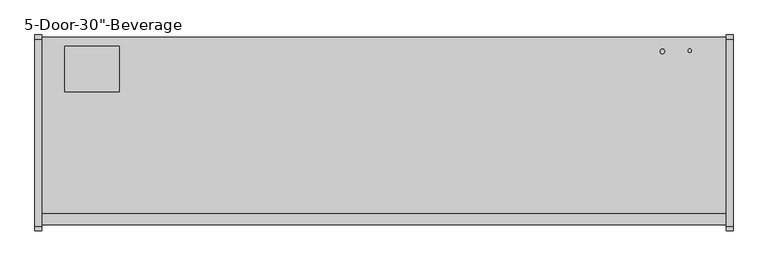
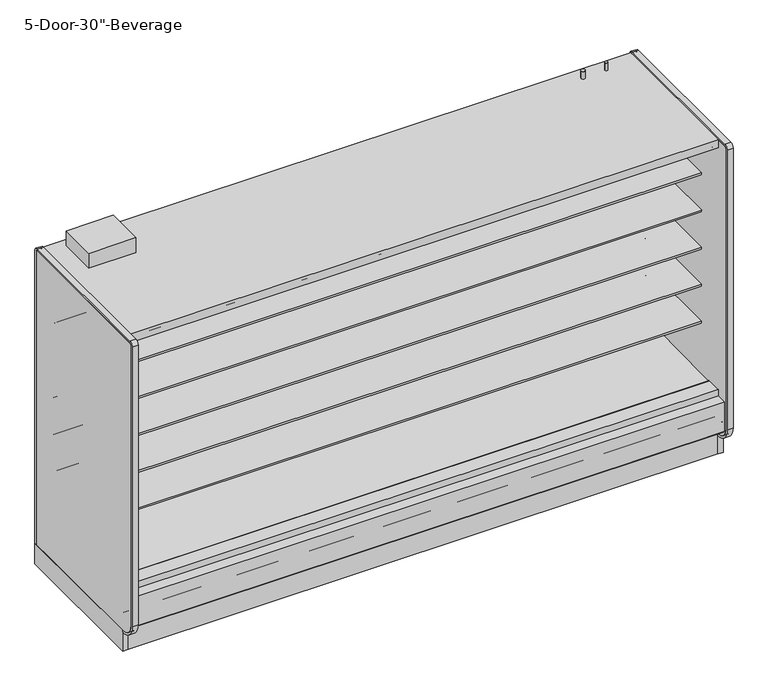
"""IFC4 building model written with IfcOpenShell, lengths in millimetres: proxy geometry."""

from ifc_helpers import new_model, si_unit, point, frame, frame_2d, origin, origin_with_axes, place, context, project, spatial, polyline, circle_curve, trimmed, segment, composite_curve, outline, extrude, source, transform, mapped, element, save
from ifc_brep_helpers import plane_surface, cylinder_surface, revolved_surface, advanced_brep


def proxy_8ac10178(model_context):
    return source(origin(), model_context, "Body", "SolidModel", [
        extrude(outline(polyline([(-1318.106026, 207.2507391), (-1305.4059832, 196.5941379), (-1305.4059832, 0.4239338), (-1318.106026, 0.4239338), (-1318.106026, 207.2507391)])), frame((0.0, 0.0, 0.0), z_axis=(1.0, 0.0, 0.0), x_axis=(0.0, 1.0, 0.0)), (0.0, 0.0, 1.0), 3810.0),
        extrude(outline(polyline([(0.0, -76.2), (0.0, 0.0), (304.8, 0.0), (304.8, -76.2), (0.0, -76.2)])), frame((304.8, -1257.8018226, 2069.9402149), z_axis=(0.0, 0.07985742909739812, 0.9968062956351922), x_axis=(-1.0, 0.0, 0.0)), (0.0, 0.0, 1.0), 12.7),
        extrude(outline(composite_curve([segment(polyline([(-1139.652044, 788.1304004), (-1139.652044, 801.6241504), (-453.852044, 801.6241504), (-453.852044, 700.8188557), (-465.2157046, 700.5975577)]), True, "CONTINUOUS"), segment(trimmed(circle_curve(frame_2d((-465.7036503, 725.6535856)), 25.0607786), [point((-465.2157046, 700.5975577))], [point((-481.6109729, 706.2886764))], False, "CARTESIAN"), True, "CONTINUOUS"), segment(polyline([(-481.6109729, 706.2886764), (-519.8326735, 737.3719449)]), True, "CONTINUOUS"), segment(trimmed(circle_curve(frame_2d((-559.8971466, 688.1064601)), 63.5), [point((-519.8326735, 737.3719449))], [point((-553.0441372, 751.2355839))], True, "CARTESIAN"), True, "CONTINUOUS"), segment(polyline([(-553.0441372, 751.2355839), (-968.6518104, 783.846074), (-968.6518104, 788.1304004), (-1139.652044, 788.1304004)]), True, "CONTINUOUS")], self_intersect=False)), frame((0.0, 0.0, 0.0), z_axis=(1.0, 0.0, 0.0), x_axis=(0.0, 1.0, 0.0)), (0.0, 0.0, 1.0), 3810.0),
        extrude(outline(composite_curve([segment(polyline([(-1139.652044, 1042.1304004), (-1139.652044, 1055.6241504), (-453.852044, 1055.6241504), (-453.852044, 954.8188557), (-465.2157046, 954.5975577)]), True, "CONTINUOUS"), segment(trimmed(circle_curve(frame_2d((-465.7036503, 979.6535856)), 25.0607786), [point((-465.2157046, 954.5975577))], [point((-481.6109729, 960.2886764))], False, "CARTESIAN"), True, "CONTINUOUS"), segment(polyline([(-481.6109729, 960.2886764), (-519.8326735, 991.3719449)]), True, "CONTINUOUS"), segment(trimmed(circle_curve(frame_2d((-559.8971466, 942.1064601)), 63.5), [point((-519.8326735, 991.3719449))], [point((-553.0441372, 1005.2355839))], True, "CARTESIAN"), True, "CONTINUOUS"), segment(polyline([(-553.0441372, 1005.2355839), (-968.6518104, 1037.846074), (-968.6518104, 1042.1304004), (-1139.652044, 1042.1304004)]), True, "CONTINUOUS")], self_intersect=False)), frame((0.0, 0.0, 0.0), z_axis=(1.0, 0.0, 0.0), x_axis=(0.0, 1.0, 0.0)), (0.0, 0.0, 1.0), 3810.0),
        extrude(outline(composite_curve([segment(polyline([(-1139.652044, 1296.1304004), (-1139.652044, 1309.6241504), (-453.852044, 1309.6241504), (-453.852044, 1208.8188557), (-465.2157046, 1208.5975577)]), True, "CONTINUOUS"), segment(trimmed(circle_curve(frame_2d((-465.7036503, 1233.6535856)), 25.0607786), [point((-465.2157046, 1208.5975577))], [point((-481.6109729, 1214.2886764))], False, "CARTESIAN"), True, "CONTINUOUS"), segment(polyline([(-481.6109729, 1214.2886764), (-519.8326735, 1245.3719449)]), True, "CONTINUOUS"), segment(trimmed(circle_curve(frame_2d((-559.8971466, 1196.1064601)), 63.5), [point((-519.8326735, 1245.3719449))], [point((-553.0441372, 1259.2355839))], True, "CARTESIAN"), True, "CONTINUOUS"), segment(polyline([(-553.0441372, 1259.2355839), (-968.6518104, 1291.846074), (-968.6518104, 1296.1304004), (-1139.652044, 1296.1304004)]), True, "CONTINUOUS")], self_intersect=False)), frame((0.0, 0.0, 0.0), z_axis=(1.0, 0.0, 0.0), x_axis=(0.0, 1.0, 0.0)), (0.0, 0.0, 1.0), 3810.0),
        extrude(outline(composite_curve([segment(polyline([(-1139.652044, 1550.1304004), (-1139.652044, 1563.6241504), (-453.852044, 1563.6241504), (-453.852044, 1462.8188557), (-465.2157046, 1462.5975577)]), True, "CONTINUOUS"), segment(trimmed(circle_curve(frame_2d((-465.7036503, 1487.6535856)), 25.0607786), [point((-465.2157046, 1462.5975577))], [point((-481.6109729, 1468.2886764))], False, "CARTESIAN"), True, "CONTINUOUS"), segment(polyline([(-481.6109729, 1468.2886764), (-519.8326735, 1499.3719449)]), True, "CONTINUOUS"), segment(trimmed(circle_curve(frame_2d((-559.8971466, 1450.1064601)), 63.5), [point((-519.8326735, 1499.3719449))], [point((-553.0441372, 1513.2355839))], True, "CARTESIAN"), True, "CONTINUOUS"), segment(polyline([(-553.0441372, 1513.2355839), (-968.6518104, 1545.846074), (-968.6518104, 1550.1304004), (-1139.652044, 1550.1304004)]), True, "CONTINUOUS")], self_intersect=False)), frame((0.0, 0.0, 0.0), z_axis=(1.0, 0.0, 0.0), x_axis=(0.0, 1.0, 0.0)), (0.0, 0.0, 1.0), 3810.0),
        extrude(outline(composite_curve([segment(polyline([(-1179.8089716, 2076.7249354), (-1179.8089716, 2078.925392), (-1258.0451873, 2084.3962012), (-1258.0451873, 2075.9223079)]), True, "CONTINUOUS"), segment(trimmed(circle_curve(frame_2d((-1260.5851873, 2075.9223079)), 2.54), [point((-1258.0451873, 2075.9223079))], [point((-1260.5851873, 2073.3823079))], False, "CARTESIAN"), True, "CONTINUOUS"), segment(polyline([(-1260.5851873, 2073.3823079), (-1269.8053873, 2073.3823079)]), True, "CONTINUOUS"), segment(trimmed(circle_curve(frame_2d((-1269.8053873, 2075.9223079)), 2.54), [point((-1269.8053873, 2073.3823079))], [point((-1272.3453873, 2075.9223079))], False, "CARTESIAN"), True, "CONTINUOUS"), segment(polyline([(-1272.3453873, 2075.9223079), (-1272.3453873, 2092.9469554)]), True, "CONTINUOUS"), segment(trimmed(circle_curve(frame_2d((-1274.8853873, 2092.9469554)), 2.54), [point((-1272.3453873, 2092.9469554))], [point((-1274.8853873, 2095.4869554))], True, "CARTESIAN"), True, "CONTINUOUS"), segment(polyline([(-1274.8853873, 2095.4869554), (-1288.8553873, 2095.4869554)]), True, "CONTINUOUS"), segment(trimmed(circle_curve(frame_2d((-1288.8553873, 2098.0269554)), 2.54), [point((-1288.8553873, 2095.4869554))], [point((-1291.3953873, 2098.0269554))], False, "CARTESIAN"), True, "CONTINUOUS"), segment(polyline([(-1291.3953873, 2098.0269554), (-1291.3953873, 2102.7701079), (-402.3474764, 2102.7701079), (-402.3474764, 418.2554484), (-453.852044, 418.2554484), (-453.852044, 2076.7249354), (-1179.8089716, 2076.7249354)]), True, "CONTINUOUS")], self_intersect=False)), frame((0.0, 0.0, 0.0), z_axis=(1.0, 0.0, 0.0), x_axis=(0.0, 1.0, 0.0)), (0.0, 0.0, 1.0), 3810.0),
        advanced_brep(
        [(3810.0, -1318.106026, 204.9450868), (3810.0, -1318.106026, 0.0), (3810.0, -1156.1809832, 0.0), (3810.0, -1156.1809832, 130.5306), (3810.0, -1226.6745247, 130.5306), (3810.0, -1377.1737273, 256.8144254), (3810.0, -1377.1737273, 391.9982), (3810.0, -1326.8776974, 391.9982), (3810.0, -1326.8776974, 404.6728), (3810.0, -1393.9631273, 404.6728), (3810.0, -1393.9631273, 201.3982889), (3810.0, -1384.4389382, 195.8985595), (3810.0, -1339.6997646, 221.7199387), (0.0, -1318.106026, 204.9450868), (0.0, -1339.6997646, 221.7199387), (0.0, -1384.4389382, 195.8985595), (0.0, -1393.9631273, 201.3982889), (0.0, -1393.9631273, 404.6728), (0.0, -1326.8776974, 404.6728), (0.0, -1326.8776974, 391.9982), (0.0, -1377.1737273, 391.9982), (0.0, -1377.1737273, 256.8144254), (0.0, -1226.6745247, 130.5306), (0.0, -1156.1809832, 130.5306), (0.0, -1156.1809832, 0.0), (0.0, -1318.106026, 0.0), (677.9753763, -1301.1164467, 0.0), (677.9753763, -1203.5310315, 0.0), (363.1798722, -1203.5310315, 0.0), (363.1798722, -1301.1164467, 0.0), (677.9753763, -1301.1164467, 50.8), (677.9753763, -1203.5310315, 50.8), (363.1798722, -1203.5310315, 50.8), (363.1798722, -1301.1164467, 50.8)],
        [
            (0, 1),
            (1, 2),
            (2, 3),
            (3, 4),
            (4, 5),
            (5, 6),
            (6, 7),
            (7, 8),
            (8, 9),
            (9, 10),
            (10, 11, circle_curve(frame((3810.0, -1387.6131273, 201.3982889), z_axis=(1.0, 0.0, 0.0), x_axis=(0.0, 1.0, 0.0)), 6.35)),
            (11, 12),
            (12, 0),
            (13, 14),
            (14, 15),
            (15, 16, circle_curve(frame((0.0, -1387.6131273, 201.3982889), z_axis=(-1.0, 0.0, 0.0), x_axis=(0.0, 1.0, 0.0)), 6.35)),
            (16, 17),
            (17, 18),
            (18, 19),
            (19, 20),
            (20, 21),
            (21, 22),
            (22, 23),
            (23, 24),
            (24, 25),
            (25, 13),
            (0, 13),
            (25, 1),
            (24, 2),
            (26, 27),
            (27, 28),
            (28, 29),
            (29, 26),
            (23, 3),
            (22, 4),
            (21, 5),
            (20, 6),
            (19, 7),
            (18, 8),
            (17, 9),
            (16, 10),
            (15, 11),
            (14, 12),
            (26, 30),
            (30, 31),
            (31, 27),
            (28, 32),
            (32, 33),
            (33, 29),
            (31, 32),
            (30, 33),
        ],
        [
            plane_surface(frame((3810.0, -1318.106026, 0.0), z_axis=(1.0, 0.0, 0.0), x_axis=(0.0, 0.0, -1.0))),
            plane_surface(frame((0.0, -1318.106026, 0.0), z_axis=(-1.0, 0.0, 0.0), x_axis=(0.0, 0.0, 1.0))),
            plane_surface(frame((3810.0, -1318.106026, 204.9450868), z_axis=(0.0, -1.0, 0.0), x_axis=(-1.0, 0.0, 0.0))),
            plane_surface(frame((3810.0, -1318.106026, 0.0), z_axis=(0.0, 0.0, -1.0), x_axis=(-1.0, 0.0, 0.0))),
            plane_surface(frame((3810.0, -1156.1809832, 0.0), z_axis=(0.0, 1.0, 0.0), x_axis=(-1.0, 0.0, 0.0))),
            plane_surface(frame((3810.0, -1156.1809832, 130.5306), z_axis=(0.0, 0.0, 1.0), x_axis=(-1.0, 0.0, 0.0))),
            plane_surface(frame((3810.0, -1226.6745247, 130.5306), z_axis=(0.0, 0.6427876096877188, 0.7660444431179884), x_axis=(-1.0, 0.0, 0.0))),
            plane_surface(frame((3810.0, -1377.1737273, 256.8144254), z_axis=(0.0, 1.0, 0.0), x_axis=(-1.0, 0.0, 0.0))),
            plane_surface(frame((3810.0, -1377.1737273, 391.9982), z_axis=(0.0, 0.0, -1.0), x_axis=(-1.0, 0.0, 0.0))),
            plane_surface(frame((3810.0, -1326.8776974, 391.9982), z_axis=(0.0, 1.0, 0.0), x_axis=(-1.0, 0.0, 0.0))),
            plane_surface(frame((3810.0, -1326.8776974, 404.6728), z_axis=(0.0, 0.0, 1.0), x_axis=(-1.0, 0.0, 0.0))),
            plane_surface(frame((3810.0, -1393.9631273, 404.6728), z_axis=(0.0, -1.0, 0.0), x_axis=(-1.0, 0.0, 0.0))),
            cylinder_surface(frame((0.0, -1387.6131273, 201.3982889), z_axis=(1.0, 0.0, 0.0), x_axis=(0.0, 1.0, 0.0)), 6.35),
            plane_surface(frame((3810.0, -1384.4389382, 195.8985595), z_axis=(0.0, 0.4998723022013517, -0.8660991175910068), x_axis=(-1.0, 0.0, 0.0))),
            plane_surface(frame((3810.0, -1339.6997646, 221.7199387), z_axis=(0.0, -0.6134784338805639, -0.7897114733644501), x_axis=(-1.0, 0.0, 0.0))),
            plane_surface(frame((677.9753763, -1207.3278954, 0.0), z_axis=(-1.0, 0.0, 0.0), x_axis=(0.0, 1.0, 0.0))),
            plane_surface(frame((363.1798722, -1207.3278954, 0.0), z_axis=(1.0, 0.0, 0.0), x_axis=(0.0, -1.0, 0.0))),
            plane_surface(frame((677.9753763, -1203.5310315, 0.0), z_axis=(0.0, -1.0, 0.0), x_axis=(-1.0, 0.0, 0.0))),
            plane_surface(frame((677.9753763, -1203.5310315, 50.8), z_axis=(0.0, 0.0, -1.0), x_axis=(-1.0, 0.0, 0.0))),
            plane_surface(frame((677.9753763, -1301.1164467, 50.8), z_axis=(0.0, 1.0, 0.0), x_axis=(-1.0, 0.0, 0.0))),
        ],
        [
            (0, [[1, 2, 3, 4, 5, 6, 7, 8, 9, 10, 11, 12, 13]]),
            (1, [[14, 15, 16, 17, 18, 19, 20, 21, 22, 23, 24, 25, 26]]),
            (2, [[-1, 27, -26, 28]]),
            (3, [[-2, -28, -25, 29], [30, 31, 32, 33]]),
            (4, [[-3, -29, -24, 34]]),
            (5, [[-4, -34, -23, 35]]),
            (6, [[-5, -35, -22, 36]]),
            (7, [[-6, -36, -21, 37]]),
            (8, [[-7, -37, -20, 38]]),
            (9, [[-8, -38, -19, 39]]),
            (10, [[-9, -39, -18, 40]]),
            (11, [[-10, -40, -17, 41]]),
            (12, [[-11, -41, -16, 42]]),
            (13, [[-12, -42, -15, 43]]),
            (14, [[-13, -43, -14, -27]]),
            (15, [[44, 45, 46, -30]]),
            (16, [[47, 48, 49, -32]]),
            (17, [[-46, 50, -47, -31]]),
            (18, [[-45, 51, -48, -50]]),
            (19, [[-44, -33, -49, -51]]),
        ],
    ),
        extrude(outline(composite_curve([segment(trimmed(circle_curve(frame_2d((354.0125, 3733.8)), 12.7), [point((341.3125, 3733.8))], [point((366.7125, 3733.8))], False, "CARTESIAN"), True, "CONTINUOUS"), segment(trimmed(circle_curve(frame_2d((354.0125, 3733.8)), 12.7), [point((366.7125, 3733.8))], [point((341.3125, 3733.8))], False, "CARTESIAN"), True, "CONTINUOUS")], self_intersect=False)), frame((0.0, -399.8071273, 0.0), z_axis=(0.0, 1.0, 0.0), x_axis=(0.0, 0.0, 1.0)), (0.0, 0.0, 1.0), 50.8),
        extrude(outline(composite_curve([segment(trimmed(circle_curve(frame_2d((354.0125, 3683.0)), 9.525), [point((344.4875, 3683.0))], [point((363.5375, 3683.0))], False, "CARTESIAN"), True, "CONTINUOUS"), segment(trimmed(circle_curve(frame_2d((354.0125, 3683.0)), 9.525), [point((363.5375, 3683.0))], [point((344.4875, 3683.0))], False, "CARTESIAN"), True, "CONTINUOUS")], self_intersect=False)), frame((0.0, -399.8071273, 0.0), z_axis=(0.0, 1.0, 0.0), x_axis=(0.0, 0.0, 1.0)), (0.0, 0.0, 1.0), 50.8),
        advanced_brep(
        [(3810.0, -349.0071273, 130.5306), (3810.0, -349.0071273, 2159.0692079), (3810.0, -1328.759197, 2159.0692079), (3810.0, -1328.759197, 2102.7701079), (3810.0, -402.3474764, 2102.7701079), (3810.0, -402.3474764, 358.6596808), (3810.0, -549.3331942, 211.7249958), (3810.0, -991.2928374, 196.2548056), (3810.0, -1033.515372, 165.5831237), (3810.0, -1035.4689267, 165.5149041), (3810.0, -1048.6488905, 157.9054484), (3810.0, -1108.9738905, 157.9054484), (3810.0, -1117.2097949, 162.6604501), (3810.0, -1119.3438463, 162.5859274), (3810.0, -1169.010644, 190.034038), (3810.0, -1325.2901974, 342.4428), (3810.0, -1325.2901974, 391.9982), (3810.0, -1377.1737273, 391.9982), (3810.0, -1377.1737273, 256.8144254), (3810.0, -1226.6745247, 130.5306), (0.0, -349.0071273, 130.5306), (0.0, -1226.6745247, 130.5306), (0.0, -1377.1737273, 256.8144254), (0.0, -1377.1737273, 391.9982), (0.0, -1325.2901974, 391.9982), (0.0, -1325.2901974, 342.4428), (0.0, -1169.010644, 190.034038), (0.0, -1119.3438463, 162.5859274), (0.0, -1117.2097949, 162.6604501), (0.0, -1108.9738905, 157.9054484), (0.0, -1048.6488905, 157.9054484), (0.0, -1035.4689267, 165.5149041), (0.0, -1033.515372, 165.5831237), (0.0, -991.2928374, 196.2548056), (0.0, -549.3331942, 211.7249958), (0.0, -402.3474764, 358.6596808), (0.0, -402.3474764, 2102.7701079), (0.0, -1328.759197, 2102.7701079), (0.0, -1328.759197, 2159.0692079), (0.0, -349.0071273, 2159.0692079), (3708.4, -349.0071273, 303.2125), (3708.4, -349.0071273, 404.8125), (3708.4, -399.8071273, 404.8125), (3708.4, -399.8071273, 303.2125)],
        [
            (0, 1),
            (1, 2),
            (2, 3),
            (3, 4),
            (4, 5),
            (5, 6, circle_curve(frame((3810.0, -554.6779329, 364.0573175), z_axis=(-1.0, 0.0, 0.0), x_axis=(0.0, 1.0, 0.0)), 152.4260557)),
            (6, 7),
            (7, 8),
            (8, 9),
            (9, 10),
            (10, 11),
            (11, 12),
            (12, 13),
            (13, 14),
            (14, 15, circle_curve(frame((3810.0, -1174.2931139, 340.9461144), z_axis=(-1.0, 0.0, 0.0), x_axis=(0.0, 1.0, 0.0)), 151.0045009)),
            (15, 16),
            (16, 17),
            (17, 18),
            (18, 19),
            (19, 0),
            (20, 21),
            (21, 22),
            (22, 23),
            (23, 24),
            (24, 25),
            (25, 26, circle_curve(frame((0.0, -1174.2931139, 340.9461144), z_axis=(1.0, 0.0, 0.0), x_axis=(0.0, 1.0, 0.0)), 151.0045009)),
            (26, 27),
            (27, 28),
            (28, 29),
            (29, 30),
            (30, 31),
            (31, 32),
            (32, 33),
            (33, 34),
            (34, 35, circle_curve(frame((0.0, -554.6779329, 364.0573175), z_axis=(1.0, 0.0, 0.0), x_axis=(0.0, 1.0, 0.0)), 152.4260557)),
            (35, 36),
            (36, 37),
            (37, 38),
            (38, 39),
            (39, 20),
            (0, 20),
            (39, 1),
            (40, 41, circle_curve(frame((3708.4, -349.0071273, 354.0125), z_axis=(0.0, -1.0, 0.0), x_axis=(0.0, 0.0, -1.0)), 50.8)),
            (41, 40, circle_curve(frame((3708.4, -349.0071273, 354.0125), z_axis=(0.0, -1.0, 0.0), x_axis=(0.0, 0.0, -1.0)), 50.8)),
            (38, 2),
            (37, 3),
            (36, 4),
            (6, 34),
            (33, 7),
            (32, 8),
            (31, 9),
            (30, 10),
            (29, 11),
            (28, 12),
            (27, 13),
            (26, 14),
            (25, 15),
            (24, 16),
            (23, 17),
            (22, 18),
            (21, 19),
            (35, 5),
            (42, 43, circle_curve(frame((3708.4, -399.8071273, 354.0125), z_axis=(0.0, 1.0, 0.0), x_axis=(0.0, 0.0, -1.0)), 50.8)),
            (43, 42, circle_curve(frame((3708.4, -399.8071273, 354.0125), z_axis=(0.0, 1.0, 0.0), x_axis=(0.0, 0.0, -1.0)), 50.8)),
            (42, 41),
            (40, 43),
        ],
        [
            plane_surface(frame((3810.0, -349.0071273, 2154.3067079), z_axis=(1.0, 0.0, 0.0), x_axis=(0.0, 0.0, 1.0))),
            plane_surface(frame((0.0, -349.0071273, 2154.3067079), z_axis=(-1.0, 0.0, 0.0), x_axis=(0.0, 0.0, -1.0))),
            plane_surface(frame((3810.0, -349.0071273, 130.5306), z_axis=(0.0, 1.0, 0.0), x_axis=(-1.0, 0.0, 0.0))),
            plane_surface(frame((3810.0, -349.0071273, 2159.0692079), z_axis=(0.0, 0.0, 1.0), x_axis=(-1.0, 0.0, 0.0))),
            plane_surface(frame((3810.0, -1328.759197, 2159.0692079), z_axis=(0.0, -1.0, 0.0), x_axis=(-1.0, 0.0, 0.0))),
            plane_surface(frame((3810.0, -1328.759197, 2102.7701079), z_axis=(0.0, 0.0, -1.0), x_axis=(-1.0, 0.0, 0.0))),
            plane_surface(frame((3810.0, -549.3331942, 211.7249958), z_axis=(0.0, -0.03498220179415916, 0.9993879354673203), x_axis=(-1.0, 0.0, 0.0))),
            plane_surface(frame((3810.0, -991.2928374, 196.2548056), z_axis=(0.0, -0.5877252382161511, 0.8090605937528836), x_axis=(-1.0, 0.0, 0.0))),
            plane_surface(frame((3810.0, -1033.515372, 165.5831237), z_axis=(0.0, -0.034899496717989933, 0.9993908270185549), x_axis=(-1.0, 0.0, 0.0))),
            plane_surface(frame((3810.0, -1035.4689267, 165.5149041), z_axis=(0.0, -0.5000000000128472, 0.8660254037770214), x_axis=(-1.0, 0.0, 0.0))),
            plane_surface(frame((3810.0, -1048.6488905, 157.9054484), z_axis=(0.0, 0.0, 1.0), x_axis=(-1.0, 0.0, 0.0))),
            plane_surface(frame((3810.0, -1108.9738905, 157.9054484), z_axis=(0.0, 0.49999999998692984, 0.8660254037919848), x_axis=(-1.0, 0.0, 0.0))),
            plane_surface(frame((3810.0, -1117.2097949, 162.6604501), z_axis=(0.0, -0.03489949671806632, 0.9993908270185522), x_axis=(-1.0, 0.0, 0.0))),
            plane_surface(frame((3810.0, -1119.3438463, 162.5859274), z_axis=(0.0, 0.483695152932422, 0.8752365389023021), x_axis=(-1.0, 0.0, 0.0))),
            revolved_surface(polyline([(0.0, -1023.2886129999999, 340.9461144), (3810.0, -1023.2886129999999, 340.9461144)]), (0.0, -1174.2931139, 340.9461144), (-1.0, 0.0, 0.0)),
            plane_surface(frame((3810.0, -1325.2901974, 342.4428), z_axis=(0.0, 1.0, 0.0), x_axis=(-1.0, 0.0, 0.0))),
            plane_surface(frame((3810.0, -1325.2901974, 391.9982), z_axis=(0.0, 0.0, 1.0), x_axis=(-1.0, 0.0, 0.0))),
            plane_surface(frame((3810.0, -1377.1737273, 391.9982), z_axis=(0.0, -1.0, 0.0), x_axis=(-1.0, 0.0, 0.0))),
            plane_surface(frame((3810.0, -1377.1737273, 256.8144254), z_axis=(0.0, -0.6427876096877191, -0.7660444431179881), x_axis=(-1.0, 0.0, 0.0))),
            plane_surface(frame((3810.0, -1226.6745247, 130.5306), z_axis=(0.0, 0.0, -1.0), x_axis=(-1.0, 0.0, 0.0))),
            plane_surface(frame((3810.0, -402.3474764, 2102.7701079), z_axis=(0.0, -1.0, 0.0), x_axis=(-1.0, 0.0, 0.0))),
            revolved_surface(polyline([(0.0, -402.25187719999997, 364.0573175), (3810.0, -402.25187719999997, 364.0573175)]), (0.0, -554.6779329, 364.0573175), (-1.0, 0.0, 0.0)),
            plane_surface(frame((3708.4, -399.8071273, 303.2125), z_axis=(0.0, 1.0, 0.0), x_axis=(1.0, 0.0, 0.0))),
            revolved_surface(polyline([(3708.4, -349.0071273, 303.2125), (3708.4, -399.8071273, 303.2125)]), (3708.4, -399.8071273, 354.0125), (0.0, 1.0, 0.0)),
        ],
        [
            (0, [[1, 2, 3, 4, 5, 6, 7, 8, 9, 10, 11, 12, 13, 14, 15, 16, 17, 18, 19, 20]]),
            (1, [[21, 22, 23, 24, 25, 26, 27, 28, 29, 30, 31, 32, 33, 34, 35, 36, 37, 38, 39, 40]]),
            (2, [[-1, 41, -40, 42], [43, 44]]),
            (3, [[-2, -42, -39, 45]]),
            (4, [[-3, -45, -38, 46]]),
            (5, [[-4, -46, -37, 47]]),
            (6, [[-7, 48, -34, 49]]),
            (7, [[-8, -49, -33, 50]]),
            (8, [[-9, -50, -32, 51]]),
            (9, [[-10, -51, -31, 52]]),
            (10, [[-11, -52, -30, 53]]),
            (11, [[-12, -53, -29, 54]]),
            (12, [[-13, -54, -28, 55]]),
            (13, [[-14, -55, -27, 56]]),
            (14, [[-15, -56, -26, 57]]),
            (15, [[-16, -57, -25, 58]]),
            (16, [[-17, -58, -24, 59]]),
            (17, [[-18, -59, -23, 60]]),
            (18, [[-19, -60, -22, 61]]),
            (19, [[-20, -61, -21, -41]]),
            (20, [[-5, -47, -36, 62]]),
            (21, [[-6, -62, -35, -48]]),
            (22, [[63, 64]]),
            (23, [[-63, 65, -43, 66]]),
            (23, [[-64, -66, -44, -65]]),
        ],
    ),
        advanced_brep(
        [(3810.0, -349.0071273, 0.0), (3810.0, -349.0071273, 130.5306), (3810.0, -1156.1809832, 130.5306), (3810.0, -1156.1809832, 0.0), (3810.0, -1108.6576273, 0.0), (3810.0, -1108.6576273, 74.8810382), (3810.0, -394.2191273, 74.8810382), (3810.0, -394.2191273, 0.0), (0.0, -349.0071273, 0.0), (0.0, -394.2191273, 0.0), (0.0, -394.2191273, 74.8810382), (0.0, -1108.6576273, 74.8810382), (0.0, -1108.6576273, 0.0), (0.0, -1156.1809832, 0.0), (0.0, -1156.1809832, 130.5306), (0.0, -349.0071273, 130.5306), (1868.9092567, -1108.6576273, 74.8810382), (1868.9092567, -1108.6576273, 127.0), (1941.0907433, -1108.6576273, 127.0), (1941.0907433, -1108.6576273, 74.8810382), (2039.0570331, -1108.6576273, 74.8810382), (2039.0570331, -1108.6576273, 127.0), (2117.0179669, -1108.6576273, 127.0), (2117.0179669, -1108.6576273, 74.8810382)],
        [
            (0, 1),
            (1, 2),
            (2, 3),
            (3, 4),
            (4, 5),
            (5, 6),
            (6, 7),
            (7, 0),
            (8, 9),
            (9, 10),
            (10, 11),
            (11, 12),
            (12, 13),
            (13, 14),
            (14, 15),
            (15, 8),
            (0, 8),
            (15, 1),
            (4, 12),
            (11, 16),
            (16, 17),
            (17, 18),
            (18, 19),
            (19, 20),
            (20, 21),
            (21, 22),
            (22, 23),
            (23, 5),
            (23, 20, circle_curve(frame((2078.0375, -1076.0821273, 74.8810382), z_axis=(0.0, 0.0, 1.0), x_axis=(1.0, 0.0, 0.0)), 50.8)),
            (19, 16, circle_curve(frame((1905.0, -1072.9071273, 74.8810382), z_axis=(0.0, 0.0, 1.0), x_axis=(1.0, 0.0, 0.0)), 50.8)),
            (10, 6),
            (9, 7),
            (17, 18, circle_curve(frame((1905.0, -1072.9071273, 127.0), z_axis=(0.0, 0.0, -1.0), x_axis=(1.0, 0.0, 0.0)), 50.8)),
            (21, 22, circle_curve(frame((2078.0375, -1076.0821273, 127.0), z_axis=(0.0, 0.0, -1.0), x_axis=(1.0, 0.0, 0.0)), 50.8)),
            (14, 2),
            (13, 3),
        ],
        [
            plane_surface(frame((3810.0, -349.0071273, 2438.4), z_axis=(1.0, 0.0, 0.0), x_axis=(0.0, 0.0, 1.0))),
            plane_surface(frame((0.0, -349.0071273, 2438.4), z_axis=(-1.0, 0.0, 0.0), x_axis=(0.0, 0.0, -1.0))),
            plane_surface(frame((3810.0, -349.0071273, 0.0), z_axis=(0.0, 1.0, 0.0), x_axis=(-1.0, 0.0, 0.0))),
            plane_surface(frame((3810.0, -1108.6576273, 0.0), z_axis=(0.0, 1.0, 0.0), x_axis=(-1.0, 0.0, 0.0))),
            plane_surface(frame((3810.0, -1108.6576273, 74.8810382), z_axis=(0.0, 0.0, -1.0), x_axis=(-1.0, 0.0, 0.0))),
            plane_surface(frame((3810.0, -394.2191273, 74.8810382), z_axis=(0.0, -1.0, 0.0), x_axis=(-1.0, 0.0, 0.0))),
            plane_surface(frame((3810.0, -394.2191273, 0.0), z_axis=(0.0, 0.0, -1.0), x_axis=(-1.0, 0.0, 0.0))),
            plane_surface(frame((1941.0907433, -1108.6576273, 127.0), z_axis=(0.0, 0.0, -1.0), x_axis=(1.0, 0.0, 0.0))),
            revolved_surface(polyline([(1955.8, -1072.9071273, 127.0), (1955.8, -1072.9071273, 74.8810382)]), (1905.0, -1072.9071273, 0.0), (0.0, 0.0, 1.0)),
            plane_surface(frame((2117.0179669, -1108.6576273, 127.0), z_axis=(0.0, 0.0, -1.0), x_axis=(1.0, 0.0, 0.0))),
            revolved_surface(polyline([(2128.8375, -1076.0821273, 127.0), (2128.8375, -1076.0821273, 74.8810382)]), (2078.0375, -1076.0821273, 0.0), (0.0, 0.0, 1.0)),
            plane_surface(frame((3810.0, -349.0071273, 130.5306), z_axis=(0.0, 0.0, 1.0), x_axis=(-1.0, 0.0, 0.0))),
            plane_surface(frame((3810.0, -1156.1809832, 130.5306), z_axis=(0.0, -1.0, 0.0), x_axis=(-1.0, 0.0, 0.0))),
            plane_surface(frame((3810.0, -1156.1809832, 0.0), z_axis=(0.0, 0.0, -1.0), x_axis=(-1.0, 0.0, 0.0))),
        ],
        [
            (0, [[1, 2, 3, 4, 5, 6, 7, 8]]),
            (1, [[9, 10, 11, 12, 13, 14, 15, 16]]),
            (2, [[-1, 17, -16, 18]]),
            (3, [[-5, 19, -12, 20, 21, 22, 23, 24, 25, 26, 27, 28]]),
            (4, [[-6, -28, 29, -24, 30, -20, -11, 31]]),
            (5, [[-7, -31, -10, 32]]),
            (6, [[-8, -32, -9, -17]]),
            (7, [[33, -22]]),
            (8, [[-33, -21, -30, -23]]),
            (9, [[34, -26]]),
            (10, [[-34, -25, -29, -27]]),
            (11, [[-2, -18, -15, 35]]),
            (12, [[-3, -35, -14, 36]]),
            (13, [[-19, -4, -36, -13]]),
        ],
    ),
        extrude(outline(composite_curve([segment(polyline([(-1139.652044, 1803.3473276), (-1139.652044, 1816.8410776), (-453.852044, 1816.8410776), (-453.852044, 1716.035783), (-465.2157046, 1715.814485)]), True, "CONTINUOUS"), segment(trimmed(circle_curve(frame_2d((-465.7036503, 1740.8705128)), 25.0607786), [point((-465.2157046, 1715.814485))], [point((-481.6109729, 1721.5056036))], False, "CARTESIAN"), True, "CONTINUOUS"), segment(polyline([(-481.6109729, 1721.5056036), (-519.8326735, 1752.5888722)]), True, "CONTINUOUS"), segment(trimmed(circle_curve(frame_2d((-559.8971466, 1703.3233874)), 63.5), [point((-519.8326735, 1752.5888722))], [point((-553.0441372, 1766.4525111))], True, "CARTESIAN"), True, "CONTINUOUS"), segment(polyline([(-553.0441372, 1766.4525111), (-968.6518104, 1799.0630012), (-968.6518104, 1803.3473276), (-1139.652044, 1803.3473276)]), True, "CONTINUOUS")], self_intersect=False)), frame((0.0, 0.0, 0.0), z_axis=(1.0, 0.0, 0.0), x_axis=(0.0, 1.0, 0.0)), (0.0, 0.0, 1.0), 3810.0),
        extrude(outline(polyline([(431.8, -399.8071273), (431.8, -653.8071273), (127.0, -653.8071273), (127.0, -399.8071273), (431.8, -399.8071273)])), frame((0.0, 0.0, 2159.6880358), z_axis=(0.0, 0.0, 1.0), x_axis=(1.0, 0.0, 0.0)), (0.0, 0.0, 1.0), 100.8085772),
        extrude(outline(composite_curve([segment(polyline([(-453.852044, 452.2592331), (-453.852044, 418.2554484), (-402.3474764, 418.2554484), (-402.3474764, 358.6596808)]), True, "CONTINUOUS"), segment(trimmed(circle_curve(frame_2d((-554.6779329, 364.0573175)), 152.4260557), [point((-402.3474764, 358.6596808))], [point((-549.3331942, 211.7249958))], False, "CARTESIAN"), True, "CONTINUOUS"), segment(polyline([(-549.3331942, 211.7249958), (-991.2928374, 196.2548056), (-1033.515372, 165.5831237), (-1035.4689267, 165.5149041), (-1048.6488905, 157.9054484), (-1108.9738905, 157.9054484), (-1117.2097949, 162.6604501), (-1119.3438463, 162.5859274), (-1169.010644, 190.034038)]), True, "CONTINUOUS"), segment(trimmed(circle_curve(frame_2d((-1174.2931139, 340.9461144)), 151.0045009), [point((-1169.010644, 190.034038))], [point((-1325.2901974, 342.4428))], False, "CARTESIAN"), True, "CONTINUOUS"), segment(polyline([(-1325.2901974, 342.4428), (-1325.2901974, 391.9982), (-1326.8776974, 391.9982), (-1326.8776974, 447.5353), (-1227.4661273, 447.5353)]), True, "CONTINUOUS"), segment(trimmed(circle_curve(frame_2d((-1227.4661273, 445.4779)), 2.0574), [point((-1227.4661273, 447.5353))], [point((-1225.4087273, 445.4779))], False, "CARTESIAN"), True, "CONTINUOUS"), segment(polyline([(-1225.4087273, 445.4779), (-1225.4087273, 438.3756667), (-453.852044, 452.2592331)]), True, "CONTINUOUS")], self_intersect=False)), frame((0.0, 0.0, 0.0), z_axis=(1.0, 0.0, 0.0), x_axis=(0.0, 1.0, 0.0)), (0.0, 0.0, 1.0), 3810.0),
        extrude(outline(composite_curve([segment(trimmed(circle_curve(frame_2d((3606.8, -423.7684604)), 9.525), [point((3597.275, -423.7684604))], [point((3616.325, -423.7684604))], False, "CARTESIAN"), True, "CONTINUOUS"), segment(trimmed(circle_curve(frame_2d((3606.8, -423.7684604)), 9.525), [point((3616.325, -423.7684604))], [point((3597.275, -423.7684604))], False, "CARTESIAN"), True, "CONTINUOUS")], self_intersect=False)), frame((0.0, 0.0, 2160.6567079), z_axis=(0.0, 0.0, 1.0), x_axis=(1.0, 0.0, 0.0)), (0.0, 0.0, 1.0), 50.8),
        extrude(outline(composite_curve([segment(trimmed(circle_curve(frame_2d((3454.4, -428.3821273)), 12.7), [point((3441.7, -428.3821273))], [point((3467.1, -428.3821273))], False, "CARTESIAN"), True, "CONTINUOUS"), segment(trimmed(circle_curve(frame_2d((3454.4, -428.3821273)), 12.7), [point((3467.1, -428.3821273))], [point((3441.7, -428.3821273))], False, "CARTESIAN"), True, "CONTINUOUS")], self_intersect=False)), frame((0.0, 0.0, 2160.6567079), z_axis=(0.0, 0.0, 1.0), x_axis=(1.0, 0.0, 0.0)), (0.0, 0.0, 1.0), 50.8),
        extrude(outline(composite_curve([segment(trimmed(circle_curve(frame_2d((-1325.3196273, 232.1306)), 88.9), [point((-1414.2196273, 232.1306))], [point((-1325.3196273, 143.2306))], True, "CARTESIAN"), True, "CONTINUOUS"), segment(polyline([(-1325.3196273, 143.2306), (-1318.106026, 143.2306), (-1318.106026, 130.7870064)]), True, "CONTINUOUS"), segment(trimmed(circle_curve(frame_2d((-1325.3196273, 232.1306)), 101.6), [point((-1318.106026, 130.7870064))], [point((-1426.9196273, 232.1306))], False, "CARTESIAN"), True, "CONTINUOUS"), segment(polyline([(-1426.9196273, 232.1306), (-1426.9196273, 2146.3692079)]), True, "CONTINUOUS"), segment(trimmed(circle_curve(frame_2d((-1401.5196273, 2146.3692079)), 25.4), [point((-1426.9196273, 2146.3692079))], [point((-1401.5196273, 2171.7692079))], False, "CARTESIAN"), True, "CONTINUOUS"), segment(polyline([(-1401.5196273, 2171.7692079), (-361.7071273, 2171.7692079)]), True, "CONTINUOUS"), segment(trimmed(circle_curve(frame_2d((-361.7071273, 2146.3692079)), 25.4), [point((-361.7071273, 2171.7692079))], [point((-336.3071273, 2146.3692079))], False, "CARTESIAN"), True, "CONTINUOUS"), segment(polyline([(-336.3071273, 2146.3692079), (-336.3071273, 143.2306), (-349.0071273, 143.2306), (-349.0071273, 2146.3692079)]), True, "CONTINUOUS"), segment(trimmed(circle_curve(frame_2d((-361.7071273, 2146.3692079)), 12.7), [point((-349.0071273, 2146.3692079))], [point((-361.7071273, 2159.0692079))], True, "CARTESIAN"), True, "CONTINUOUS"), segment(polyline([(-361.7071273, 2159.0692079), (-1401.5196273, 2159.0692079)]), True, "CONTINUOUS"), segment(trimmed(circle_curve(frame_2d((-1401.5196273, 2146.3692079)), 12.7), [point((-1401.5196273, 2159.0692079))], [point((-1414.2196273, 2146.3692079))], True, "CARTESIAN"), True, "CONTINUOUS"), segment(polyline([(-1414.2196273, 2146.3692079), (-1414.2196273, 232.1306)]), True, "CONTINUOUS")], self_intersect=False)), frame((3810.0, 0.0, 0.0), z_axis=(1.0, 0.0, 0.0), x_axis=(0.0, 1.0, 0.0)), (0.0, 0.0, 1.0), 38.1),
        extrude(outline(polyline([(3848.1, -336.3071273), (3848.1, -1318.106026), (3810.0, -1318.106026), (3810.0, -336.3071273), (3848.1, -336.3071273)])), origin_with_axes(), (0.0, 0.0, 1.0), 143.2306),
        extrude(outline(composite_curve([segment(polyline([(-1414.2196273, 232.1306), (-1414.2196273, 2146.3692079)]), True, "CONTINUOUS"), segment(trimmed(circle_curve(frame_2d((-1401.5196273, 2146.3692079)), 12.7), [point((-1414.2196273, 2146.3692079))], [point((-1401.5196273, 2159.0692079))], False, "CARTESIAN"), True, "CONTINUOUS"), segment(polyline([(-1401.5196273, 2159.0692079), (-361.7071273, 2159.0692079)]), True, "CONTINUOUS"), segment(trimmed(circle_curve(frame_2d((-361.7071273, 2146.3692079)), 12.7), [point((-361.7071273, 2159.0692079))], [point((-349.0071273, 2146.3692079))], False, "CARTESIAN"), True, "CONTINUOUS"), segment(polyline([(-349.0071273, 2146.3692079), (-349.0071273, 143.2306), (-1325.3196273, 143.2306)]), True, "CONTINUOUS"), segment(trimmed(circle_curve(frame_2d((-1325.3196273, 232.1306)), 88.9), [point((-1325.3196273, 143.2306))], [point((-1414.2196273, 232.1306))], False, "CARTESIAN"), True, "CONTINUOUS")], self_intersect=False)), frame((3810.0, 0.0, 0.0), z_axis=(1.0, 0.0, 0.0), x_axis=(0.0, 1.0, 0.0)), (0.0, 0.0, 1.0), 38.1),
        extrude(outline(composite_curve([segment(trimmed(circle_curve(frame_2d((-1325.3196273, 232.1306)), 88.9), [point((-1414.2196273, 232.1306))], [point((-1325.3196273, 143.2306))], True, "CARTESIAN"), True, "CONTINUOUS"), segment(polyline([(-1325.3196273, 143.2306), (-1318.106026, 143.2306), (-1318.106026, 130.7870064)]), True, "CONTINUOUS"), segment(trimmed(circle_curve(frame_2d((-1325.3196273, 232.1306)), 101.6), [point((-1318.106026, 130.7870064))], [point((-1426.9196273, 232.1306))], False, "CARTESIAN"), True, "CONTINUOUS"), segment(polyline([(-1426.9196273, 232.1306), (-1426.9196273, 2146.3692079)]), True, "CONTINUOUS"), segment(trimmed(circle_curve(frame_2d((-1401.5196273, 2146.3692079)), 25.4), [point((-1426.9196273, 2146.3692079))], [point((-1401.5196273, 2171.7692079))], False, "CARTESIAN"), True, "CONTINUOUS"), segment(polyline([(-1401.5196273, 2171.7692079), (-361.7071273, 2171.7692079)]), True, "CONTINUOUS"), segment(trimmed(circle_curve(frame_2d((-361.7071273, 2146.3692079)), 25.4), [point((-361.7071273, 2171.7692079))], [point((-336.3071273, 2146.3692079))], False, "CARTESIAN"), True, "CONTINUOUS"), segment(polyline([(-336.3071273, 2146.3692079), (-336.3071273, 143.2306), (-349.0071273, 143.2306), (-349.0071273, 2146.3692079)]), True, "CONTINUOUS"), segment(trimmed(circle_curve(frame_2d((-361.7071273, 2146.3692079)), 12.7), [point((-349.0071273, 2146.3692079))], [point((-361.7071273, 2159.0692079))], True, "CARTESIAN"), True, "CONTINUOUS"), segment(polyline([(-361.7071273, 2159.0692079), (-1401.5196273, 2159.0692079)]), True, "CONTINUOUS"), segment(trimmed(circle_curve(frame_2d((-1401.5196273, 2146.3692079)), 12.7), [point((-1401.5196273, 2159.0692079))], [point((-1414.2196273, 2146.3692079))], True, "CARTESIAN"), True, "CONTINUOUS"), segment(polyline([(-1414.2196273, 2146.3692079), (-1414.2196273, 232.1306)]), True, "CONTINUOUS")], self_intersect=False)), frame((-38.1, 0.0, 0.0), z_axis=(1.0, 0.0, 0.0), x_axis=(0.0, 1.0, 0.0)), (0.0, 0.0, 1.0), 38.1),
        extrude(outline(polyline([(673.1, -1207.3278954), (673.1, -1296.2278954), (368.3, -1296.2278954), (368.3, -1207.3278954), (673.1, -1207.3278954)])), frame((0.0, 0.0, 44.45), z_axis=(0.0, 0.0, 1.0), x_axis=(1.0, 0.0, 0.0)), (0.0, 0.0, 1.0), 6.35),
        extrude(outline(polyline([(0.0, -336.3071273), (0.0, -1318.106026), (-38.1, -1318.106026), (-38.1, -336.3071273), (0.0, -336.3071273)])), origin_with_axes(), (0.0, 0.0, 1.0), 143.2306),
        extrude(outline(composite_curve([segment(trimmed(circle_curve(frame_2d((1905.0, -1072.9071273)), 38.1), [point((1866.9, -1072.9071273))], [point((1943.1, -1072.9071273))], False, "CARTESIAN"), True, "CONTINUOUS"), segment(trimmed(circle_curve(frame_2d((1905.0, -1072.9071273)), 38.1), [point((1943.1, -1072.9071273))], [point((1866.9, -1072.9071273))], False, "CARTESIAN"), True, "CONTINUOUS")], self_intersect=False)), frame((0.0, 0.0, 61.2666507), z_axis=(0.0, 0.0, 1.0), x_axis=(1.0, 0.0, 0.0)), (0.0, 0.0, 1.0), 65.7333493),
        extrude(outline(composite_curve([segment(trimmed(circle_curve(frame_2d((2103.4375, -1076.0821273)), 12.7), [point((2090.7375, -1076.0821273))], [point((2116.1375, -1076.0821273))], False, "CARTESIAN"), True, "CONTINUOUS"), segment(trimmed(circle_curve(frame_2d((2103.4375, -1076.0821273)), 12.7), [point((2116.1375, -1076.0821273))], [point((2090.7375, -1076.0821273))], False, "CARTESIAN"), True, "CONTINUOUS")], self_intersect=False)), frame((0.0, 0.0, 61.2666507), z_axis=(0.0, 0.0, 1.0), x_axis=(1.0, 0.0, 0.0)), (0.0, 0.0, 1.0), 65.7333493),
        extrude(outline(composite_curve([segment(trimmed(circle_curve(frame_2d((2052.6375, -1076.0821273)), 9.525), [point((2043.1125, -1076.0821273))], [point((2062.1625, -1076.0821273))], False, "CARTESIAN"), True, "CONTINUOUS"), segment(trimmed(circle_curve(frame_2d((2052.6375, -1076.0821273)), 9.525), [point((2062.1625, -1076.0821273))], [point((2043.1125, -1076.0821273))], False, "CARTESIAN"), True, "CONTINUOUS")], self_intersect=False)), frame((0.0, 0.0, 61.2666507), z_axis=(0.0, 0.0, 1.0), x_axis=(1.0, 0.0, 0.0)), (0.0, 0.0, 1.0), 65.7333493),
        extrude(outline(composite_curve([segment(polyline([(-1414.2196273, 232.1306), (-1414.2196273, 2146.3692079)]), True, "CONTINUOUS"), segment(trimmed(circle_curve(frame_2d((-1401.5196273, 2146.3692079)), 12.7), [point((-1414.2196273, 2146.3692079))], [point((-1401.5196273, 2159.0692079))], False, "CARTESIAN"), True, "CONTINUOUS"), segment(polyline([(-1401.5196273, 2159.0692079), (-361.7071273, 2159.0692079)]), True, "CONTINUOUS"), segment(trimmed(circle_curve(frame_2d((-361.7071273, 2146.3692079)), 12.7), [point((-361.7071273, 2159.0692079))], [point((-349.0071273, 2146.3692079))], False, "CARTESIAN"), True, "CONTINUOUS"), segment(polyline([(-349.0071273, 2146.3692079), (-349.0071273, 143.2306), (-1325.3196273, 143.2306)]), True, "CONTINUOUS"), segment(trimmed(circle_curve(frame_2d((-1325.3196273, 232.1306)), 88.9), [point((-1325.3196273, 143.2306))], [point((-1414.2196273, 232.1306))], False, "CARTESIAN"), True, "CONTINUOUS")], self_intersect=False)), frame((-38.1, 0.0, 0.0), z_axis=(1.0, 0.0, 0.0), x_axis=(0.0, 1.0, 0.0)), (0.0, 0.0, 1.0), 38.1),
    ])


if __name__ == "__main__":
    model = new_model("IFC4")
    model_context = context("Model", 3, world=origin())
    ifc_project = project(units=[si_unit("LENGTHUNIT", "METRE", prefix="MILLI")], contexts=[model_context])
    site = spatial("IfcSite", under=ifc_project)
    building = spatial("IfcBuilding", under=site)
    placement = place(None, origin())
    proxy_shape = proxy_8ac10178(model_context)
    element("IfcBuildingElementProxy", 1, Name="5-Door-30\"-Beverage", ObjectType="5-Door-30\"-Beverage", at=placement, inside=building, context=model_context, shape_type="MappedRepresentation", body=[
        mapped(proxy_shape, transform((0.0, 0.0, 0.0), x_axis=(1.0, 0.0, 0.0), y_axis=(0.0, 1.0, 0.0), z_axis=(0.0, 0.0, 1.0))),
    ])
    save(model, "model.ifc")
